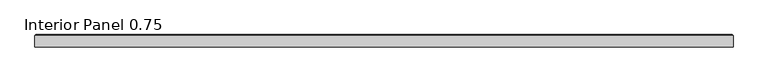
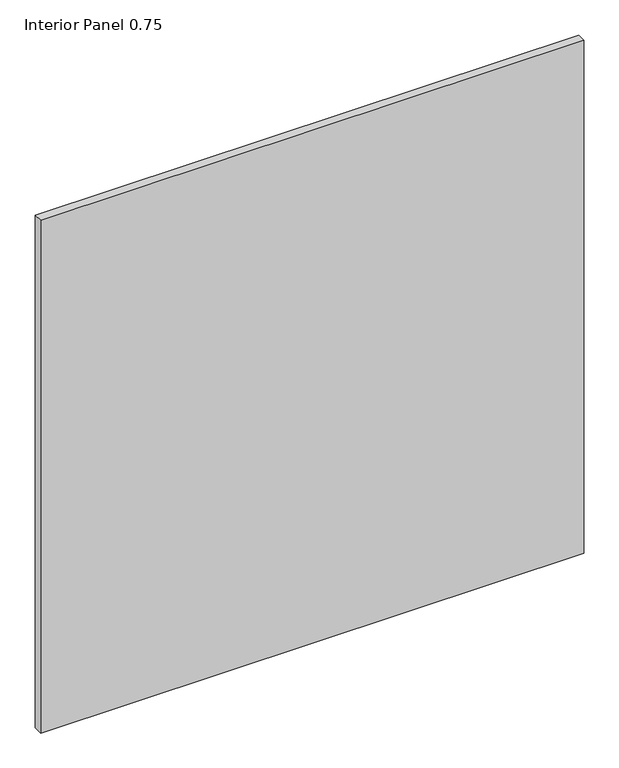
"""IFC4 building model written with IfcOpenShell, lengths in millimetres: proxy geometry, Interior Panel 0.75."""

from ifc_helpers import new_model, si_unit, origin, place, context, project, spatial, faceted_brep, source, transform, mapped, element, save


def interior_panel_0_75_1e0bb09d(model_context):
    return source(origin(), model_context, "Body", "Brep", [
        faceted_brep([(993.0804688, -3.175, 1063.625), (993.0804688, 14.2875, 1063.625), (-73.025, 14.2875, 1063.625), (-73.025, -3.175, 1063.625), (993.0804688, -3.175, 0.0), (-73.025, -3.175, 0.0), (-73.025, 14.2875, 0.0), (993.0804688, 14.2875, 0.0), (-71.4375, 15.875, 1062.0375), (991.4929688, 15.875, 1062.0375), (991.4929688, 15.875, 1.5875), (-71.4375, 15.875, 1.5875)], [[[0, 1, 2, 3]], [[4, 5, 6, 7]], [[3, 5, 4, 0]], [[2, 6, 5, 3]], [[8, 9, 10, 11]], [[0, 4, 7, 1]], [[2, 8, 11, 6]], [[7, 10, 9, 1]], [[1, 9, 8, 2]], [[6, 11, 10, 7]]]),
    ])


if __name__ == "__main__":
    model = new_model("IFC4")
    model_context = context("Model", 3, world=origin())
    ifc_project = project(units=[si_unit("LENGTHUNIT", "METRE", prefix="MILLI")], contexts=[model_context])
    site = spatial("IfcSite", under=ifc_project)
    building = spatial("IfcBuilding", under=site)
    placement = place(None, origin())
    interior_panel_0_75_shape = interior_panel_0_75_1e0bb09d(model_context)
    element("IfcBuildingElementProxy", 1, Name="Interior Panel 0.75", ObjectType="Interior Panel 0.75", at=placement, inside=building, context=model_context, shape_type="MappedRepresentation", body=[
        mapped(interior_panel_0_75_shape, transform((0.0, 0.0, 0.0), x_axis=(1.0, 0.0, 0.0), y_axis=(0.0, 1.0, 0.0), z_axis=(0.0, 0.0, 1.0))),
    ])
    save(model, "model.ifc")
